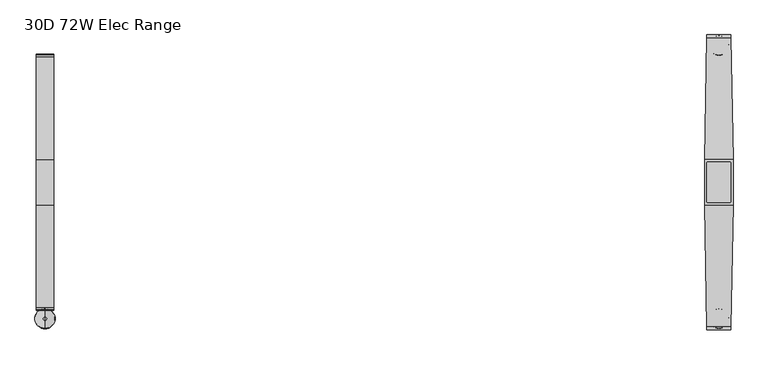
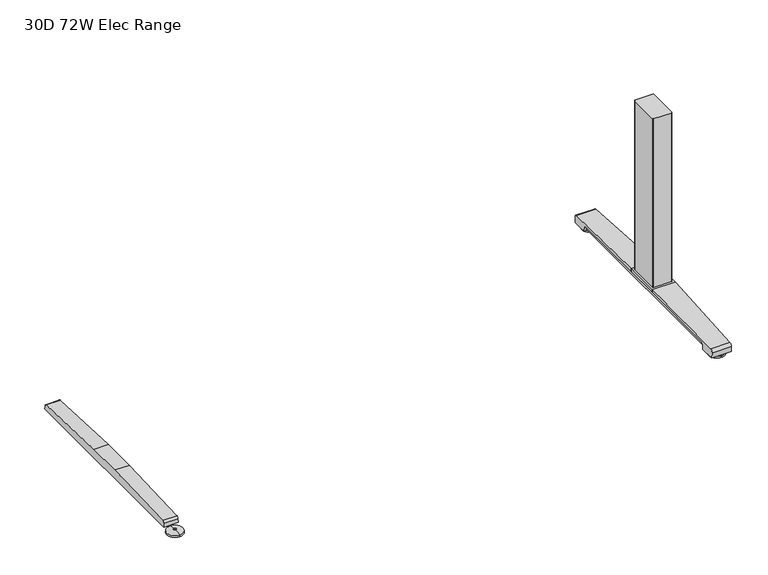
"""IFC4 building model written with IfcOpenShell, lengths in millimetres: furniture geometry, 30D 72W Elec Range."""

from ifc_helpers import new_model, si_unit, point, frame, frame_2d, origin, place, context, project, spatial, polyline, circle_curve, ellipse_curve, trimmed, segment, composite_curve, outline, extrude, source, transform, mapped, element, save
from ifc_brep_helpers import plane_surface, cylinder_surface, revolved_surface, advanced_brep


def furniture_30d_72w_elec_range_88d4d4ea(model_context):
    return source(origin(), model_context, "Body", "SolidModel", [
        advanced_brep(
        [(-836.676, -364.1643617, 0.0), (-836.676, -313.9743384, 0.0), (-836.676, -339.06935, 0.0), (-836.676, -364.0796512, 5.0038001), (-836.676, -314.0590489, 5.0038001), (-836.676, -343.0698499, 8.4327997), (-836.676, -335.0688501, 8.4327997), (-836.676, -343.0698499, 10.0423733), (-836.676, -335.0688501, 10.0423733), (-836.676, -339.06935, 10.0423733)],
        [
            (0, 1, circle_curve(frame((-836.676, -339.06935, 0.0), z_axis=(0.0, 0.0, -1.0), x_axis=(0.0, 1.0, 0.0)), 25.0950117)),
            (1, 2),
            (2, 0),
            (1, 0, circle_curve(frame((-836.676, -339.06935, 0.0), z_axis=(0.0, 0.0, -1.0), x_axis=(0.0, 1.0, 0.0)), 25.0950117)),
            (3, 4, circle_curve(frame((-836.676, -339.06935, 5.0038001), z_axis=(0.0, 0.0, -1.0), x_axis=(0.0, 1.0, 0.0)), 25.0103012)),
            (4, 1),
            (0, 3),
            (4, 3, circle_curve(frame((-836.676, -339.06935, 5.0038001), z_axis=(0.0, 0.0, -1.0), x_axis=(0.0, 1.0, 0.0)), 25.0103012)),
            (5, 6, circle_curve(frame((-836.676, -339.06935, 8.4327997), z_axis=(0.0, 0.0, -1.0), x_axis=(0.0, 1.0, 0.0)), 4.0004999)),
            (6, 4, circle_curve(frame((-836.676, -335.0368668, -57.4502444), z_axis=(-1.0, 0.0, 0.0), x_axis=(0.0, 1.0, 0.0)), 65.8830518)),
            (3, 5, circle_curve(frame((-836.676, -343.1018333, -57.4502444), z_axis=(-1.0, 0.0, 0.0), x_axis=(0.0, -1.0, 0.0)), 65.8830518)),
            (6, 5, circle_curve(frame((-836.676, -339.06935, 8.4327997), z_axis=(0.0, 0.0, -1.0), x_axis=(0.0, 1.0, 0.0)), 4.0004999)),
            (7, 8, circle_curve(frame((-836.676, -339.06935, 10.0423733), z_axis=(0.0, 0.0, -1.0), x_axis=(0.0, 1.0, 0.0)), 4.0004999)),
            (8, 6),
            (5, 7),
            (8, 7, circle_curve(frame((-836.676, -339.06935, 10.0423733), z_axis=(0.0, 0.0, -1.0), x_axis=(0.0, 1.0, 0.0)), 4.0004999)),
            (9, 8),
            (7, 9),
        ],
        [
            plane_surface(frame((-836.676, -339.06935, 0.0), z_axis=(0.0, 0.0, -1.0), x_axis=(0.0, 1.0, 0.0))),
            revolved_surface(polyline([(-836.676, -313.9743384, 0.0), (-836.676, -314.0590489, 5.0038001)]), (-836.676, -339.06935, 0.0), (0.0, 0.0, 1.0)),
            revolved_surface(trimmed(ellipse_curve(frame((-836.676, -335.0368668, -57.4502444), z_axis=(1.0, 0.0, 0.0), x_axis=(0.0, 1.0, 0.0)), 65.8830518, 65.8830518), [point((-836.676, -314.0590489, 5.0038001))], [point((-836.676, -335.0688501, 8.4327997))], True, "CARTESIAN"), (-836.676, -339.06935, 0.0), (0.0, 0.0, 1.0)),
            cylinder_surface(frame((-836.676, -339.06935, 0.0), z_axis=(0.0, 0.0, 1.0), x_axis=(0.0, 1.0, 0.0)), 4.0004999),
            plane_surface(frame((-836.676, -339.06935, 10.0423733), z_axis=(0.0, 0.0, 1.0), x_axis=(0.0, 1.0, 0.0))),
        ],
        [
            (0, [[1, 2, 3]]),
            (0, [[4, -3, -2]]),
            (1, [[5, 6, -1, 7]]),
            (1, [[8, -7, -4, -6]]),
            (2, [[9, 10, -5, 11]]),
            (2, [[12, -11, -8, -10]]),
            (3, [[13, 14, -9, 15]]),
            (3, [[16, -15, -12, -14]]),
            (4, [[17, -13, 18]]),
            (4, [[-18, -16, -17]]),
        ],
    ),
        extrude(outline(composite_curve([segment(polyline([(317.3152602, 22.833301), (318.3038309, 11.5339019), (-318.3038309, 11.5339019), (-317.3152602, 22.833301)]), True, "CONTINUOUS"), segment(trimmed(circle_curve(frame_2d((-310.4929906, 22.2364289)), 6.8483297), [point((-317.3152602, 22.833301))], [point((-311.3603185, 29.0296138))], False, "CARTESIAN"), True, "CONTINUOUS"), segment(polyline([(-311.3603185, 29.0296138), (-56.1182127, 38.9541198), (56.1182127, 38.9541198), (311.3603185, 29.0296138)]), True, "CONTINUOUS"), segment(trimmed(circle_curve(frame_2d((310.4929906, 22.2364289)), 6.8483297), [point((311.3603185, 29.0296138))], [point((317.3152602, 22.833301))], False, "CARTESIAN"), True, "CONTINUOUS")], self_intersect=False)), frame((-858.6724, 0.0, 0.0), z_axis=(1.0, 0.0, 0.0), x_axis=(0.0, 1.0, 0.0)), (0.0, 0.0, 1.0), 43.9928),
        extrude(outline(composite_curve([segment(trimmed(circle_curve(frame_2d((864.2521079, 47.6421079)), 2.3323921), [point((864.2521079, 49.9745))], [point((866.5845, 47.6421079))], False, "CARTESIAN"), True, "CONTINUOUS"), segment(polyline([(866.5845, 47.6421079), (866.5845, -47.6421079)]), True, "CONTINUOUS"), segment(trimmed(circle_curve(frame_2d((864.2521079, -47.6421079)), 2.3323921), [point((866.5845, -47.6421079))], [point((864.2521079, -49.9745))], False, "CARTESIAN"), True, "CONTINUOUS"), segment(polyline([(864.2521079, -49.9745), (809.0998921, -49.9745)]), True, "CONTINUOUS"), segment(trimmed(circle_curve(frame_2d((809.0998921, -47.6421079)), 2.3323921), [point((809.0998921, -49.9745))], [point((806.7675, -47.6421079))], False, "CARTESIAN"), True, "CONTINUOUS"), segment(polyline([(806.7675, -47.6421079), (806.7675, 47.6421079)]), True, "CONTINUOUS"), segment(trimmed(circle_curve(frame_2d((809.0998921, 47.6421079)), 2.3323921), [point((806.7675, 47.6421079))], [point((809.0998921, 49.9745))], False, "CARTESIAN"), True, "CONTINUOUS"), segment(polyline([(809.0998921, 49.9745), (864.2521079, 49.9745)]), True, "CONTINUOUS")], self_intersect=False)), frame((0.0, 0.0, 48.10013), z_axis=(0.0, 0.0, 1.0), x_axis=(1.0, 0.0, 0.0)), (0.0, 0.0, 1.0), 550.9989485),
        advanced_brep(
        [(836.676, 314.8489737, 0.0), (836.676, 365.038997, 0.0), (836.676, 339.9439854, 0.0), (836.676, 314.9336842, 5.0038001), (836.676, 364.9542866, 5.0038001), (836.676, 335.9434855, 8.4327997), (836.676, 343.9444853, 8.4327997), (836.676, 335.9434855, 10.0423733), (836.676, 343.9444853, 10.0423733), (836.676, 339.9439854, 10.0423733)],
        [
            (0, 1, circle_curve(frame((836.676, 339.9439854, 0.0), z_axis=(0.0, 0.0, -1.0), x_axis=(0.0, 1.0, 0.0)), 25.0950117)),
            (1, 2),
            (2, 0),
            (1, 0, circle_curve(frame((836.676, 339.9439854, 0.0), z_axis=(0.0, 0.0, -1.0), x_axis=(0.0, 1.0, 0.0)), 25.0950117)),
            (3, 4, circle_curve(frame((836.676, 339.9439854, 5.0038001), z_axis=(0.0, 0.0, -1.0), x_axis=(0.0, 1.0, 0.0)), 25.0103012)),
            (4, 1),
            (0, 3),
            (4, 3, circle_curve(frame((836.676, 339.9439854, 5.0038001), z_axis=(0.0, 0.0, -1.0), x_axis=(0.0, 1.0, 0.0)), 25.0103012)),
            (5, 6, circle_curve(frame((836.676, 339.9439854, 8.4327997), z_axis=(0.0, 0.0, -1.0), x_axis=(0.0, 1.0, 0.0)), 4.0004999)),
            (6, 4, circle_curve(frame((836.676, 343.9764687, -57.4502444), z_axis=(-1.0, 0.0, 0.0), x_axis=(0.0, 1.0, 0.0)), 65.8830518)),
            (3, 5, circle_curve(frame((836.676, 335.9115021, -57.4502444), z_axis=(-1.0, 0.0, 0.0), x_axis=(0.0, -1.0, 0.0)), 65.8830518)),
            (6, 5, circle_curve(frame((836.676, 339.9439854, 8.4327997), z_axis=(0.0, 0.0, -1.0), x_axis=(0.0, 1.0, 0.0)), 4.0004999)),
            (7, 8, circle_curve(frame((836.676, 339.9439854, 10.0423733), z_axis=(0.0, 0.0, -1.0), x_axis=(0.0, 1.0, 0.0)), 4.0004999)),
            (8, 6),
            (5, 7),
            (8, 7, circle_curve(frame((836.676, 339.9439854, 10.0423733), z_axis=(0.0, 0.0, -1.0), x_axis=(0.0, 1.0, 0.0)), 4.0004999)),
            (9, 8),
            (7, 9),
        ],
        [
            plane_surface(frame((836.676, 339.9439854, 0.0), z_axis=(0.0, 0.0, -1.0), x_axis=(0.0, 1.0, 0.0))),
            revolved_surface(polyline([(836.676, 365.038997, 0.0), (836.676, 364.9542866, 5.0038001)]), (836.676, 339.9439854, 0.0), (0.0, 0.0, 1.0)),
            revolved_surface(trimmed(ellipse_curve(frame((836.676, 343.9764687, -57.4502444), z_axis=(1.0, 0.0, 0.0), x_axis=(0.0, 1.0, 0.0)), 65.8830518, 65.8830518), [point((836.676, 364.9542866, 5.0038001))], [point((836.676, 343.9444853, 8.4327997))], True, "CARTESIAN"), (836.676, 339.9439854, 0.0), (0.0, 0.0, 1.0)),
            cylinder_surface(frame((836.676, 339.9439854, 0.0), z_axis=(0.0, 0.0, 1.0), x_axis=(0.0, 1.0, 0.0)), 4.0004999),
            plane_surface(frame((836.676, 339.9439854, 10.0423733), z_axis=(0.0, 0.0, 1.0), x_axis=(0.0, 1.0, 0.0))),
        ],
        [
            (0, [[1, 2, 3]]),
            (0, [[4, -3, -2]]),
            (1, [[5, 6, -1, 7]]),
            (1, [[8, -7, -4, -6]]),
            (2, [[9, 10, -5, 11]]),
            (2, [[12, -11, -8, -10]]),
            (3, [[13, 14, -9, 15]]),
            (3, [[16, -15, -12, -14]]),
            (4, [[17, -13, 18]]),
            (4, [[-18, -16, -17]]),
        ],
    ),
        advanced_brep(
        [(836.676, -364.1643617, 0.0), (836.676, -313.9743384, 0.0), (836.676, -339.06935, 0.0), (836.676, -364.0796512, 5.0038001), (836.676, -314.0590489, 5.0038001), (836.676, -343.0698499, 8.4327997), (836.676, -335.0688501, 8.4327997), (836.676, -343.0698499, 10.0423733), (836.676, -335.0688501, 10.0423733), (836.676, -339.06935, 10.0423733)],
        [
            (0, 1, circle_curve(frame((836.676, -339.06935, 0.0), z_axis=(0.0, 0.0, -1.0), x_axis=(0.0, 1.0, 0.0)), 25.0950117)),
            (1, 2),
            (2, 0),
            (1, 0, circle_curve(frame((836.676, -339.06935, 0.0), z_axis=(0.0, 0.0, -1.0), x_axis=(0.0, 1.0, 0.0)), 25.0950117)),
            (3, 4, circle_curve(frame((836.676, -339.06935, 5.0038001), z_axis=(0.0, 0.0, -1.0), x_axis=(0.0, 1.0, 0.0)), 25.0103012)),
            (4, 1),
            (0, 3),
            (4, 3, circle_curve(frame((836.676, -339.06935, 5.0038001), z_axis=(0.0, 0.0, -1.0), x_axis=(0.0, 1.0, 0.0)), 25.0103012)),
            (5, 6, circle_curve(frame((836.676, -339.06935, 8.4327997), z_axis=(0.0, 0.0, -1.0), x_axis=(0.0, 1.0, 0.0)), 4.0004999)),
            (6, 4, circle_curve(frame((836.676, -335.0368668, -57.4502444), z_axis=(-1.0, 0.0, 0.0), x_axis=(0.0, 1.0, 0.0)), 65.8830518)),
            (3, 5, circle_curve(frame((836.676, -343.1018333, -57.4502444), z_axis=(-1.0, 0.0, 0.0), x_axis=(0.0, -1.0, 0.0)), 65.8830518)),
            (6, 5, circle_curve(frame((836.676, -339.06935, 8.4327997), z_axis=(0.0, 0.0, -1.0), x_axis=(0.0, 1.0, 0.0)), 4.0004999)),
            (7, 8, circle_curve(frame((836.676, -339.06935, 10.0423733), z_axis=(0.0, 0.0, -1.0), x_axis=(0.0, 1.0, 0.0)), 4.0004999)),
            (8, 6),
            (5, 7),
            (8, 7, circle_curve(frame((836.676, -339.06935, 10.0423733), z_axis=(0.0, 0.0, -1.0), x_axis=(0.0, 1.0, 0.0)), 4.0004999)),
            (9, 8),
            (7, 9),
        ],
        [
            plane_surface(frame((836.676, -339.06935, 0.0), z_axis=(0.0, 0.0, -1.0), x_axis=(0.0, 1.0, 0.0))),
            revolved_surface(polyline([(836.676, -313.9743384, 0.0), (836.676, -314.0590489, 5.0038001)]), (836.676, -339.06935, 0.0), (0.0, 0.0, 1.0)),
            revolved_surface(trimmed(ellipse_curve(frame((836.676, -335.0368668, -57.4502444), z_axis=(1.0, 0.0, 0.0), x_axis=(0.0, 1.0, 0.0)), 65.8830518, 65.8830518), [point((836.676, -314.0590489, 5.0038001))], [point((836.676, -335.0688501, 8.4327997))], True, "CARTESIAN"), (836.676, -339.06935, 0.0), (0.0, 0.0, 1.0)),
            cylinder_surface(frame((836.676, -339.06935, 0.0), z_axis=(0.0, 0.0, 1.0), x_axis=(0.0, 1.0, 0.0)), 4.0004999),
            plane_surface(frame((836.676, -339.06935, 10.0423733), z_axis=(0.0, 0.0, 1.0), x_axis=(0.0, 1.0, 0.0))),
        ],
        [
            (0, [[1, 2, 3]]),
            (0, [[4, -3, -2]]),
            (1, [[5, 6, -1, 7]]),
            (1, [[8, -7, -4, -6]]),
            (2, [[9, 10, -5, 11]]),
            (2, [[12, -11, -8, -10]]),
            (3, [[13, 14, -9, 15]]),
            (3, [[16, -15, -12, -14]]),
            (4, [[17, -13, 18]]),
            (4, [[-18, -16, -17]]),
        ],
    ),
        extrude(outline(polyline([(871.8068382, 56.1182127), (871.8068382, -56.1182127), (801.5451618, -56.1182127), (801.5451618, 56.1182127), (871.8068382, 56.1182127)])), frame((0.0, 0.0, 38.9541198), z_axis=(0.0, 0.0, 1.0), x_axis=(1.0, 0.0, 0.0)), (0.0, 0.0, 1.0), 9.1460102),
        advanced_brep(
        [(866.3505896, 366.395, 26.8186), (866.4822575, 358.907527, 35.7787117), (871.8068382, 56.1182127, 48.10013), (871.8068382, 56.1182127, 38.9541198), (867.31838, 311.3603185, 29.0296138), (867.2136618, 317.3152602, 22.833301), (867.1939845, 318.4342309, 10.0434261), (866.3760047, 364.9497362, 10.041053), (806.8701004, 358.907527, 35.7787117), (807.0017683, 366.395, 26.8186), (806.9763532, 364.9497362, 10.041053), (806.1583734, 318.4342309, 10.0434261), (806.1386962, 317.3152602, 22.833301), (806.0339779, 311.3603185, 29.0296138), (801.5455196, 56.1182064, 38.9541201), (801.5455197, 56.1182127, 48.10013)],
        [
            (0, 1, ellipse_curve(frame((866.495738, 358.1409412, 27.5296273), z_axis=(0.9998454179622464, 0.01758238265710797, 0.0), x_axis=(0.017582382657103067, -0.9998454179622465, 0.0)), 8.285908, 8.2846272)),
            (1, 2, ellipse_curve(frame((896.7288072, -1361.1024809, -38505.5680807), z_axis=(0.9998454179622464, 0.01758238265710797, 0.0), x_axis=(0.017582382657103067, -0.9998454179622465, 0.0)), 38585.6723619, 38579.7077101)),
            (2, 3),
            (3, 4),
            (4, 5, ellipse_curve(frame((867.3336321, 310.4929906, 22.2364289), z_axis=(-0.9998454179622464, -0.01758238265710797, 0.0), x_axis=(-0.017582382657103067, 0.9998454179622465, 0.0)), 6.8493884, 6.8483297)),
            (5, 6),
            (6, 7),
            (7, 0),
            (8, 9, ellipse_curve(frame((806.8566199, 358.1409412, 27.5296273), z_axis=(-0.999845417962248, 0.017582382657020928, 0.0), x_axis=(0.01758238265700388, 0.9998454179622482, 0.0)), 8.285908, 8.2846272)),
            (9, 10),
            (10, 11),
            (11, 12),
            (12, 13, ellipse_curve(frame((806.0187259, 310.4929906, 22.2364289), z_axis=(0.999845417962248, -0.017582382657020928, 0.0), x_axis=(-0.01758238265700388, -0.9998454179622482, 0.0)), 6.8493884, 6.8483297)),
            (13, 14),
            (14, 15),
            (15, 8, ellipse_curve(frame((776.6235507, -1361.1024809, -38505.5680807), z_axis=(-0.999845417962248, 0.017582382657020928, 0.0), x_axis=(0.01758238265700388, 0.9998454179622482, 0.0)), 38585.6723619, 38579.7077101)),
            (0, 9),
            (8, 1),
            (7, 10),
            (6, 11),
            (5, 12),
            (4, 13),
            (3, 14),
            (2, 15),
        ],
        [
            plane_surface(frame((866.3226732, 367.9825, 48.10013), z_axis=(0.9998454179622464, 0.01758238265710797, 0.0), x_axis=(0.0, 0.0, -1.0))),
            plane_surface(frame((801.5455197, 56.1182127, 48.10013), z_axis=(-0.999845417962248, 0.017582382657020928, 0.0), x_axis=(0.0, 0.0, -1.0))),
            cylinder_surface(frame((801.5451618, 358.1409412, 27.5296273), z_axis=(1.0, 0.0, 0.0), x_axis=(0.0, 1.0, 0.0)), 8.2846272),
            plane_surface(frame((871.8068382, 364.9497362, 10.041053), z_axis=(0.0, 0.996310236870306, -0.08582489095498451), x_axis=(-1.0, 0.0, 0.0))),
            plane_surface(frame((871.8068382, 318.4342309, 10.0434261), z_axis=(0.0, -5.101798419271786e-05, -0.9999999986985827), x_axis=(-1.0, 0.0, 0.0))),
            plane_surface(frame((871.8068382, 317.3152602, 22.833301), z_axis=(0.0, -0.9961946873837872, -0.08715586514009506), x_axis=(-1.0, 0.0, 0.0))),
            revolved_surface(polyline([(805.8982973321848, 317.3413203, 22.2364289), (867.454060667816, 317.3413203, 22.2364289)]), (801.5451618, 310.4929906, 22.2364289), (-1.0, 0.0, 0.0)),
            plane_surface(frame((871.8068382, 56.1182127, 38.9541198), z_axis=(0.0, -0.03885335543744915, -0.9992449233152257), x_axis=(-1.0, 0.0, 0.0))),
            plane_surface(frame((871.8068382, 56.1182127, 48.10013), z_axis=(0.0, -1.0, 0.0), x_axis=(-1.0, 0.0, 0.0))),
            cylinder_surface(frame((801.5451618, -1361.1024809, -38505.5680807), z_axis=(1.0, 0.0, 0.0), x_axis=(0.0, 1.0, 0.0)), 38579.7077101),
        ],
        [
            (0, [[1, 2, 3, 4, 5, 6, 7, 8]]),
            (1, [[9, 10, 11, 12, 13, 14, 15, 16]]),
            (2, [[17, -9, 18, -1]]),
            (3, [[-17, -8, 19, -10]]),
            (4, [[-19, -7, 20, -11]]),
            (5, [[-20, -6, 21, -12]]),
            (6, [[-21, -5, 22, -13]]),
            (7, [[23, -14, -22, -4]]),
            (8, [[-23, -3, 24, -15]]),
            (9, [[-24, -2, -18, -16]]),
        ],
    ),
        extrude(outline(composite_curve([segment(polyline([(317.3152602, 22.833301), (318.3038309, 11.5339019), (-318.3038309, 11.5339019), (-317.3152602, 22.833301)]), True, "CONTINUOUS"), segment(trimmed(circle_curve(frame_2d((-310.4929906, 22.2364289)), 6.8483297), [point((-317.3152602, 22.833301))], [point((-311.3603185, 29.0296138))], False, "CARTESIAN"), True, "CONTINUOUS"), segment(polyline([(-311.3603185, 29.0296138), (-56.1182127, 38.9541198), (56.1182127, 38.9541198), (311.3603185, 29.0296138)]), True, "CONTINUOUS"), segment(trimmed(circle_curve(frame_2d((310.4929906, 22.2364289)), 6.8483297), [point((311.3603185, 29.0296138))], [point((317.3152602, 22.833301))], False, "CARTESIAN"), True, "CONTINUOUS")], self_intersect=False)), frame((814.6796, 0.0, 0.0), z_axis=(1.0, 0.0, 0.0), x_axis=(0.0, 1.0, 0.0)), (0.0, 0.0, 1.0), 43.9928),
        advanced_brep(
        [(866.4822575, -358.907527, 35.7787117), (806.8701004, -358.907527, 35.7787117), (807.0017683, -366.395, 26.8186), (866.3505896, -366.395, 26.8186), (806.9763532, -364.9497362, 10.041053), (866.3760047, -364.9497362, 10.041053), (806.1583734, -318.4342309, 10.0434261), (867.1939845, -318.4342309, 10.0434261), (806.1386962, -317.3152602, 22.833301), (867.2136618, -317.3152602, 22.833301), (806.0339779, -311.3603185, 29.0296138), (867.31838, -311.3603185, 29.0296138), (801.5451618, -56.1182127, 38.9541198), (871.8068382, -56.1182127, 38.9541198), (801.5455197, -56.1182127, 48.10013), (871.8068382, -56.1182127, 48.10013)],
        [
            (0, 1),
            (1, 2, ellipse_curve(frame((806.8566199, -358.1409412, 27.5296273), z_axis=(0.9998454179622465, 0.017582382657103254, 0.0), x_axis=(0.017582382657095153, -0.9998454179622466, 0.0)), 8.285908, 8.2846272)),
            (2, 3),
            (3, 0, ellipse_curve(frame((866.495738, -358.1409412, 27.5296273), z_axis=(-0.9998454179622464, 0.017582382657105877, 0.0), x_axis=(0.017582382657108358, 0.9998454179622465, 0.0)), 8.285908, 8.2846272)),
            (2, 4),
            (4, 5),
            (5, 3),
            (4, 6),
            (6, 7),
            (7, 5),
            (6, 8),
            (8, 9),
            (9, 7),
            (8, 10, ellipse_curve(frame((806.0187259, -310.4929906, 22.2364289), z_axis=(-0.9998454179622465, -0.017582382657103254, 0.0), x_axis=(-0.017582382657095153, 0.9998454179622466, 0.0)), 6.8493884, 6.8483297)),
            (10, 11),
            (11, 9, ellipse_curve(frame((867.3336321, -310.4929906, 22.2364289), z_axis=(0.9998454179622464, -0.017582382657105877, 0.0), x_axis=(-0.017582382657108358, -0.9998454179622465, 0.0)), 6.8493884, 6.8483297)),
            (12, 13),
            (13, 11),
            (10, 12),
            (12, 14),
            (14, 15),
            (15, 13),
            (15, 0, ellipse_curve(frame((896.7288072, 1361.1024809, -38505.568082), z_axis=(0.9998454179622464, -0.017582382657105877, 0.0), x_axis=(0.017582382657108358, 0.9998454179622465, 0.0)), 38585.6723633, 38579.7077114)),
            (1, 14, ellipse_curve(frame((776.6235507, 1361.1024809, -38505.568082), z_axis=(-0.9998454179622465, -0.017582382657103254, 0.0), x_axis=(0.017582382657095153, -0.9998454179622466, 0.0)), 38585.6723633, 38579.7077114)),
        ],
        [
            cylinder_surface(frame((801.5451618, -358.1409412, 27.5296273), z_axis=(1.0, 0.0, 0.0), x_axis=(0.0, 1.0, 0.0)), 8.2846272),
            plane_surface(frame((871.8068382, -366.395, 26.8186), z_axis=(0.0, -0.9963102368705579, -0.08582489095206026), x_axis=(-1.0, 0.0, 0.0))),
            plane_surface(frame((871.8068382, -364.9497362, 10.041053), z_axis=(0.0, 5.10179839128194e-05, -0.9999999986985827), x_axis=(-1.0, 0.0, 0.0))),
            plane_surface(frame((871.8068382, -318.4342309, 10.0434261), z_axis=(0.0, 0.9961946873837977, -0.08715586513997582), x_axis=(-1.0, 0.0, 0.0))),
            revolved_surface(polyline([(805.8982973321841, -303.64466089999996, 22.2364289), (867.4540606678161, -303.64466089999996, 22.2364289)]), (801.5451618, -310.4929906, 22.2364289), (-1.0, 0.0, 0.0)),
            plane_surface(frame((871.8068382, -311.3603185, 29.0296138), z_axis=(0.0, 0.03885335543746911, -0.999244923315225), x_axis=(-1.0, 0.0, 0.0))),
            plane_surface(frame((871.8068382, -56.1182127, 38.9541198), z_axis=(0.0, 1.0, 0.0), x_axis=(-1.0, 0.0, 0.0))),
            plane_surface(frame((871.8068382, -56.1182127, 48.10013), z_axis=(0.9998454179622464, -0.017582382657105877, 0.0), x_axis=(0.0, 0.0, -1.0))),
            plane_surface(frame((807.0296847, -367.9825, 48.10013), z_axis=(-0.9998454179622465, -0.017582382657103254, 0.0), x_axis=(0.0, 0.0, -1.0))),
            cylinder_surface(frame((801.5451618, 1361.1024809, -38505.568082), z_axis=(1.0, 0.0, 0.0), x_axis=(0.0, 1.0, 0.0)), 38579.7077114),
        ],
        [
            (0, [[1, 2, 3, 4]]),
            (1, [[-3, 5, 6, 7]]),
            (2, [[-6, 8, 9, 10]]),
            (3, [[-9, 11, 12, 13]]),
            (4, [[-12, 14, 15, 16]]),
            (5, [[17, 18, -15, 19]]),
            (6, [[-17, 20, 21, 22]]),
            (7, [[-4, -7, -10, -13, -16, -18, -22, 23]]),
            (8, [[-2, 24, -20, -19, -14, -11, -8, -5]]),
            (9, [[-21, -24, -1, -23]]),
        ],
    ),
    ])


if __name__ == "__main__":
    model = new_model("IFC4")
    model_context = context("Model", 3, world=origin())
    ifc_project = project(units=[si_unit("LENGTHUNIT", "METRE", prefix="MILLI")], contexts=[model_context])
    site = spatial("IfcSite", under=ifc_project)
    building = spatial("IfcBuilding", under=site)
    placement = place(None, origin())
    furniture_30d_72w_elec_range_shape = furniture_30d_72w_elec_range_88d4d4ea(model_context)
    element("IfcFurniture", 1, ObjectType="30D 72W Elec Range", at=placement, inside=building, context=model_context, shape_type="MappedRepresentation", body=[
        mapped(furniture_30d_72w_elec_range_shape, transform((0.0, 0.0, 0.0), x_axis=(1.0, 0.0, 0.0), y_axis=(0.0, 1.0, 0.0), z_axis=(0.0, 0.0, 1.0))),
    ])
    save(model, "model.ifc")
